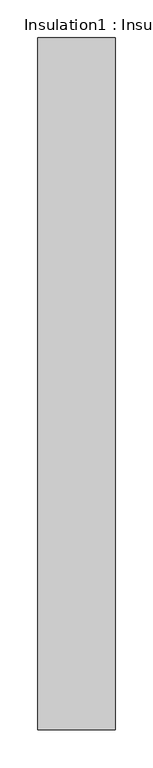
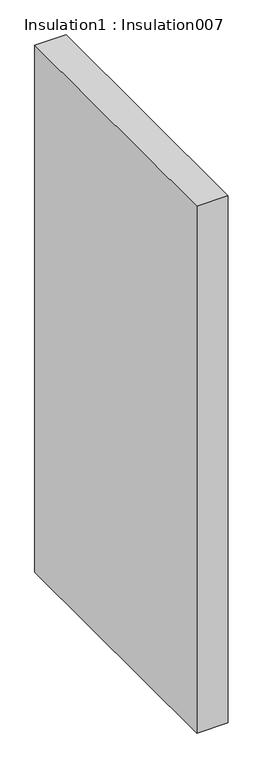
"""IFC4 building model written with IfcOpenShell, lengths in millimetres: proxy geometry, Insulation1 : Insulation007."""

from ifc_helpers import new_model, si_unit, frame, origin, place, context, project, spatial, polyline, outline, extrude, source, transform, mapped, element, save


def insulation1_insulation007_49605359(model_context):
    return source(origin(), model_context, "Body", "SweptSolid", [
        extrude(outline(polyline([(37910.0710168, -25196.3529946), (37808.0184003, -25196.3529946), (37808.0184003, -24281.9529946), (37910.0710168, -24281.9529946), (37910.0710168, -25196.3529946)])), frame((0.0, 0.0, 2603.8948156), z_axis=(0.0, 0.0, 1.0), x_axis=(1.0, 0.0, 0.0)), (0.0, 0.0, 1.0), 1813.3879724),
    ])


if __name__ == "__main__":
    model = new_model("IFC4")
    model_context = context("Model", 3, world=origin())
    ifc_project = project(units=[si_unit("LENGTHUNIT", "METRE", prefix="MILLI")], contexts=[model_context])
    site = spatial("IfcSite", under=ifc_project)
    building = spatial("IfcBuilding", under=site)
    placement = place(None, origin())
    insulation1_insulation007_shape = insulation1_insulation007_49605359(model_context)
    element("IfcBuildingElementProxy", 1, Name="Insulation1 : Insulation007", ObjectType="Insulation1 : Insulation007", at=placement, inside=building, context=model_context, shape_type="MappedRepresentation", body=[
        mapped(insulation1_insulation007_shape, transform((0.0, 0.0, 0.0), x_axis=(1.0, 0.0, 0.0), y_axis=(0.0, 1.0, 0.0), z_axis=(0.0, 0.0, 1.0))),
    ])
    save(model, "model.ifc")
